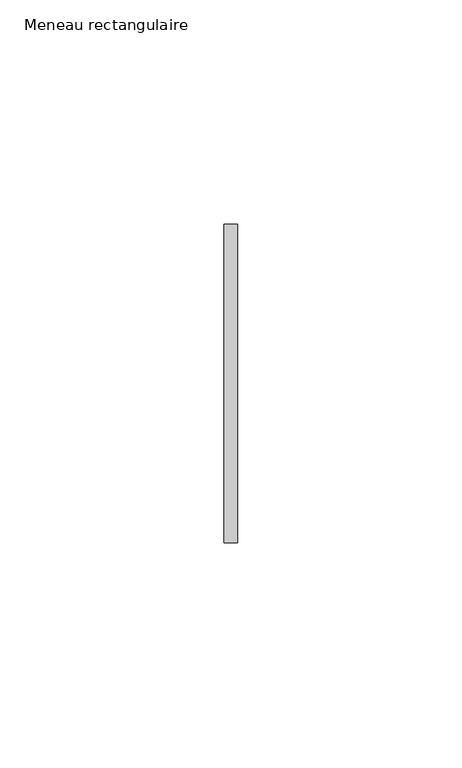
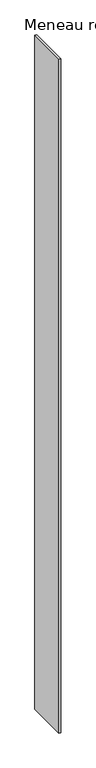
"""IFC4 building model written with IfcOpenShell, lengths in millimetres: member geometry, Meneau rectangulaire."""

from ifc_helpers import new_model, si_unit, frame, origin, place, context, project, spatial, polyline, outline, extrude, source, transform, mapped, element, save


def meneau_rectangulaire_3df12620(model_context):
    return source(origin(), model_context, "Body", "SweptSolid", [
        extrude(outline(polyline([(-1.5, 35.5), (1.5, 35.5), (1.5, -35.5), (-1.5, -35.5), (-1.5, 35.5)])), frame((0.0, 0.0, -1217.8749998), z_axis=(0.0, 0.0, 1.0), x_axis=(1.0, 0.0, 0.0)), (0.0, 0.0, 1.0), 1217.8749998),
    ])


if __name__ == "__main__":
    model = new_model("IFC4")
    model_context = context("Model", 3, world=origin())
    ifc_project = project(units=[si_unit("LENGTHUNIT", "METRE", prefix="MILLI")], contexts=[model_context])
    site = spatial("IfcSite", under=ifc_project)
    building = spatial("IfcBuilding", under=site)
    placement = place(None, origin())
    meneau_rectangulaire_shape = meneau_rectangulaire_3df12620(model_context)
    element("IfcMember", 1, ObjectType="Meneau rectangulaire", at=placement, inside=building, context=model_context, shape_type="MappedRepresentation", body=[
        mapped(meneau_rectangulaire_shape, transform((0.0, 0.0, 0.0), x_axis=(1.0, 0.0, 0.0), y_axis=(0.0, 1.0, 0.0), z_axis=(0.0, 0.0, 1.0))),
    ])
    save(model, "model.ifc")
